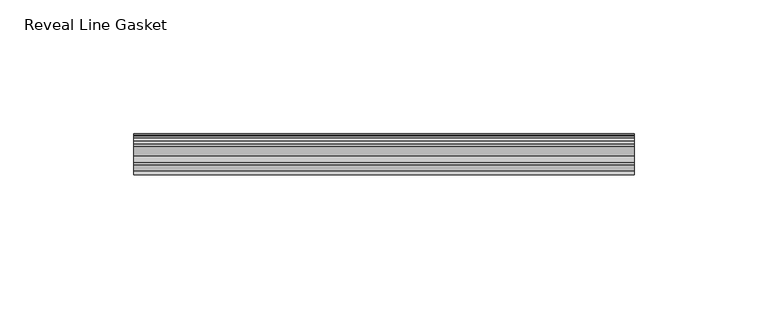
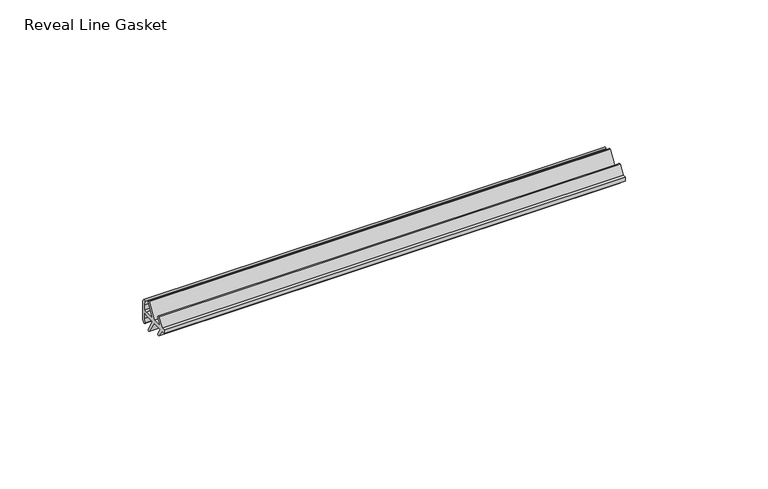
"""IFC4 building model written with IfcOpenShell, lengths in millimetres: furniture geometry, Reveal Line Gasket."""

from ifc_helpers import new_model, si_unit, point, frame, frame_2d, origin, place, context, project, spatial, polyline, circle_curve, trimmed, segment, composite_curve, outline, extrude, source, transform, mapped, element, save


def reveal_line_gasket_989dcc83(model_context):
    return source(origin(), model_context, "Body", "SweptSolid", [
        extrude(outline(composite_curve([segment(polyline([(7.6326998, 1603.2), (7.6326998, 1597.2), (7.4091917, 1596.2445073), (6.8813059, 1595.3115316)]), True, "CONTINUOUS"), segment(trimmed(circle_curve(frame_2d((6.5243141, 1595.5135207)), 0.4101739), [point((6.8813059, 1595.3115316))], [point((6.1246704, 1595.6058653))], False, "CARTESIAN"), True, "CONTINUOUS"), segment(polyline([(6.1246704, 1595.6058653), (6.3626997, 1597.3020914), (6.3626997, 1599.3345473)]), True, "CONTINUOUS"), segment(trimmed(circle_curve(frame_2d((5.6959605, 1598.9180742)), 0.786124), [point((6.3626997, 1599.3345473))], [point((5.0926996, 1599.422125))], True, "CARTESIAN"), True, "CONTINUOUS"), segment(polyline([(5.0926996, 1599.422125), (0.7492996, 1599.422125), (3.7293824, 1594.2604705)]), True, "CONTINUOUS"), segment(trimmed(circle_curve(frame_2d((3.3132479, 1594.1950239)), 0.4212495), [point((3.7293824, 1594.2604705))], [point((3.0485022, 1593.8673642))], False, "CARTESIAN"), True, "CONTINUOUS"), segment(polyline([(3.0485022, 1593.8673642), (-0.5742594, 1599.422125), (-4.8262978, 1599.422125), (-3.1660374, 1596.5464703)]), True, "CONTINUOUS"), segment(trimmed(circle_curve(frame_2d((-3.5978728, 1596.4881145)), 0.4357605), [point((-3.1660374, 1596.5464703))], [point((-3.864328, 1596.1433119))], False, "CARTESIAN"), True, "CONTINUOUS"), segment(polyline([(-3.864328, 1596.1433119), (-6.1944059, 1599.422125), (-7.6326998, 1599.422125), (-7.6326998, 1600.977875), (-6.1944059, 1600.977875), (-3.864328, 1604.2566881)]), True, "CONTINUOUS"), segment(trimmed(circle_curve(frame_2d((-3.5978728, 1603.9118855)), 0.4357605), [point((-3.864328, 1604.2566881))], [point((-3.1660374, 1603.8535297))], False, "CARTESIAN"), True, "CONTINUOUS"), segment(polyline([(-3.1660374, 1603.8535297), (-4.8262978, 1600.977875), (-0.5742594, 1600.977875), (3.0485022, 1606.5326358)]), True, "CONTINUOUS"), segment(trimmed(circle_curve(frame_2d((3.3132479, 1606.2049761)), 0.4212495), [point((3.0485022, 1606.5326358))], [point((3.7293824, 1606.1395295))], False, "CARTESIAN"), True, "CONTINUOUS"), segment(polyline([(3.7293824, 1606.1395295), (0.7492996, 1600.977875), (5.0926996, 1600.977875)]), True, "CONTINUOUS"), segment(trimmed(circle_curve(frame_2d((5.6959605, 1601.4819258)), 0.786124), [point((5.0926996, 1600.977875))], [point((6.3626997, 1601.0654527))], True, "CARTESIAN"), True, "CONTINUOUS"), segment(polyline([(6.3626997, 1601.0654527), (6.3626997, 1603.0979086), (6.1246704, 1604.7941347)]), True, "CONTINUOUS"), segment(trimmed(circle_curve(frame_2d((6.5243141, 1604.8864793)), 0.4101739), [point((6.1246704, 1604.7941347))], [point((6.8813059, 1605.0884684))], False, "CARTESIAN"), True, "CONTINUOUS"), segment(polyline([(6.8813059, 1605.0884684), (7.4091917, 1604.1554927), (7.6326998, 1603.2)]), True, "CONTINUOUS")], self_intersect=False)), frame((-93.3704, 0.0, 0.0), z_axis=(1.0, 0.0, 0.0), x_axis=(0.0, 1.0, 0.0)), (0.0, 0.0, 1.0), 186.7408),
    ])


if __name__ == "__main__":
    model = new_model("IFC4")
    model_context = context("Model", 3, world=origin())
    ifc_project = project(units=[si_unit("LENGTHUNIT", "METRE", prefix="MILLI")], contexts=[model_context])
    site = spatial("IfcSite", under=ifc_project)
    building = spatial("IfcBuilding", under=site)
    placement = place(None, origin())
    reveal_line_gasket_shape = reveal_line_gasket_989dcc83(model_context)
    element("IfcFurniture", 1, ObjectType="Reveal Line Gasket", at=placement, inside=building, context=model_context, shape_type="MappedRepresentation", body=[
        mapped(reveal_line_gasket_shape, transform((0.0, 0.0, 0.0), x_axis=(1.0, 0.0, 0.0), y_axis=(0.0, 1.0, 0.0), z_axis=(0.0, 0.0, 1.0))),
    ])
    save(model, "model.ifc")
